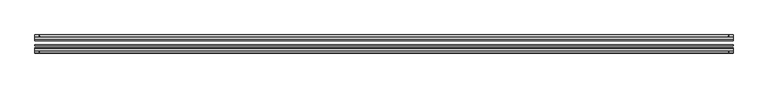
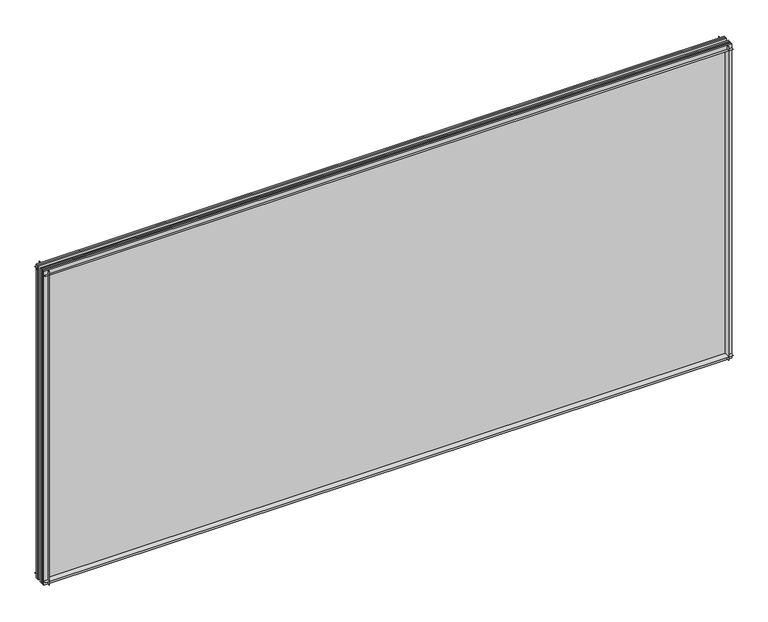
"""IFC4 building model written with IfcOpenShell, lengths in millimetres: plate geometry."""

import ifcopenshell
import ifcopenshell.guid

model = None  # the IFC model being written
_history = None  # IfcOwnerHistory: only IFC2X3 demands one
_inside = {}  # id of a spatial element -> (the spatial element, [elements in it])
_under = {}  # id of a project, library or spatial element -> (it, [spatial elements below it])
_declared = {}  # id of a project -> (the project, [libraries it declares])
_typed = {}  # id of a type object -> (the type object, [elements of that type])
_made_of = {}  # id of a material, layer set ... -> (it, [elements and type objects made of it])


def new_model(schema):
    """Start an empty IFC model of exactly this schema.

    Asked for "IFC4X3", IfcOpenShell would pick the latest addendum, in which some entities
    have other attributes; the version numbers below select the first issue.
    IFC2X3 requires an IfcOwnerHistory on every rooted entity: one is made here for all.
    """
    global model, _history
    if schema == "IFC4X3":
        model = ifcopenshell.file(schema_version=(4, 3, 0, 0))
    else:
        model = ifcopenshell.file(schema=schema)
    _inside.clear()
    _under.clear()
    _declared.clear()
    _typed.clear()
    _made_of.clear()
    _history = None
    if model.schema == "IFC2X3":
        org = make("IfcOrganization", Name="unknown")
        user = make(
            "IfcPersonAndOrganization",
            ThePerson=make("IfcPerson", FamilyName="unknown"),
            TheOrganization=org,
        )
        app = make(
            "IfcApplication",
            ApplicationDeveloper=org,
            Version="unknown",
            ApplicationFullName="unknown",
            ApplicationIdentifier="unknown",
        )
        _history = make(
            "IfcOwnerHistory",
            OwningUser=user,
            OwningApplication=app,
            ChangeAction="ADDED",
            CreationDate=0,
        )
    return model


def make(cls, **values):
    """One entity of the class cls with the attributes given. An attribute that is None is left unset."""
    return model.create_entity(
        cls, **{name: value for name, value in values.items() if value is not None}
    )


def rooted(cls, **values):
    """An entity with a GlobalId (a new one), such as an element, a storey or a relation."""
    return make(cls, GlobalId=ifcopenshell.guid.new(), OwnerHistory=_history, **values)


def si_unit(unit_type, name, prefix=None):
    """IfcSIUnit, for example si_unit("LENGTHUNIT", "METRE", prefix="MILLI")."""
    return make("IfcSIUnit", UnitType=unit_type, Prefix=prefix, Name=name)


def assignment(units):
    """IfcUnitAssignment: the units of a project."""
    return None if units is None else make("IfcUnitAssignment", Units=units)


def point(xyz):
    """IfcCartesianPoint."""
    return None if xyz is None else make("IfcCartesianPoint", Coordinates=xyz)


def direction(xyz):
    """IfcDirection."""
    return None if xyz is None else make("IfcDirection", DirectionRatios=xyz)


def frame(location, z_axis=None, x_axis=None):
    """IfcAxis2Placement3D, a coordinate frame: its origin and axes. An axis left out is left unset."""
    return make(
        "IfcAxis2Placement3D",
        Location=point(location),
        Axis=direction(z_axis),
        RefDirection=direction(x_axis),
    )


def frame_2d(location, x_axis=None):
    """IfcAxis2Placement2D, a coordinate frame in the plane: its origin and x axis."""
    return make(
        "IfcAxis2Placement2D", Location=point(location), RefDirection=direction(x_axis)
    )


def origin():
    """The frame at (0, 0, 0) with its axes left unset."""
    return frame((0.0, 0.0, 0.0))


def place(relative_to, where):
    """IfcLocalPlacement: puts the frame where relative to a parent placement (None: the world)."""
    return make(
        "IfcLocalPlacement", PlacementRelTo=relative_to, RelativePlacement=where
    )


def context(
    kind, dimensions, precision=None, world=None, true_north=None, identifier=None
):
    """IfcGeometricRepresentationContext, for example the 3D "Model" context."""
    return make(
        "IfcGeometricRepresentationContext",
        ContextIdentifier=identifier,
        ContextType=kind,
        CoordinateSpaceDimension=dimensions,
        Precision=precision,
        WorldCoordinateSystem=world,
        TrueNorth=true_north,
    )


def project(units=None, contexts=None):
    """IfcProject with its units and contexts."""
    return rooted(
        "IfcProject",
        Name="project",
        RepresentationContexts=contexts,
        UnitsInContext=assignment(units),
    )


def spatial(cls, under=None, at=None, **own):
    """A site, building, storey or space (cls), placed at a placement, below another one or the project."""
    s = rooted(cls, ObjectPlacement=at, **own)
    if under is not None:
        _under.setdefault(under.id(), (under, []))[1].append(s)
    return s


def polyline(points):
    """IfcPolyline through the points."""
    return make("IfcPolyline", Points=[point(p) for p in points])


def circle_curve(where, radius):
    """IfcCircle in the frame where."""
    return make("IfcCircle", Position=where, Radius=radius)


def trimmed(basis, trim1, trim2, sense, master):
    """IfcTrimmedCurve: the piece of a basis curve between two trims."""
    return make(
        "IfcTrimmedCurve",
        BasisCurve=basis,
        Trim1=trim1,
        Trim2=trim2,
        SenseAgreement=sense,
        MasterRepresentation=master,
    )


def segment(curve, same_sense, transition):
    """IfcCompositeCurveSegment."""
    return make(
        "IfcCompositeCurveSegment",
        Transition=transition,
        SameSense=same_sense,
        ParentCurve=curve,
    )


def composite_curve(segments, self_intersect=None):
    """IfcCompositeCurve: segments joined end to end."""
    return make("IfcCompositeCurve", Segments=segments, SelfIntersect=self_intersect)


def outline(outer, holes=None, kind="AREA"):
    """IfcArbitraryClosedProfileDef: a profile drawn as a closed curve; with holes, ...WithVoids."""
    if holes is None:
        return make("IfcArbitraryClosedProfileDef", ProfileType=kind, OuterCurve=outer)
    return make(
        "IfcArbitraryProfileDefWithVoids",
        ProfileType=kind,
        OuterCurve=outer,
        InnerCurves=holes,
    )


def extrude(swept, where, along, depth):
    """IfcExtrudedAreaSolid: the profile swept, set in the frame where, extruded along a direction by depth."""
    return make(
        "IfcExtrudedAreaSolid",
        SweptArea=swept,
        Position=where,
        ExtrudedDirection=direction(along),
        Depth=depth,
    )


def shape(context_of_items, identifier, shape_type, items):
    """IfcShapeRepresentation: the items that make up one representation, for example the "Body"."""
    return make(
        "IfcShapeRepresentation",
        ContextOfItems=context_of_items,
        RepresentationIdentifier=identifier,
        RepresentationType=shape_type,
        Items=items,
    )


def source(mapping_origin, context_of_items, identifier, shape_type, items):
    """IfcRepresentationMap: a shape defined once, which mapped items show again and again."""
    return make(
        "IfcRepresentationMap",
        MappingOrigin=mapping_origin,
        MappedRepresentation=shape(context_of_items, identifier, shape_type, items),
    )


def transform(
    local_origin,
    x_axis=None,
    y_axis=None,
    z_axis=None,
    scale=None,
    scale2=None,
    scale3=None,
    uniform=True,
):
    """IfcCartesianTransformationOperator3D, or its non-uniform kind. x_axis, y_axis, z_axis: its Axis1, 2, 3."""
    if uniform:
        return make(
            "IfcCartesianTransformationOperator3D",
            Axis1=direction(x_axis),
            Axis2=direction(y_axis),
            LocalOrigin=point(local_origin),
            Scale=scale,
            Axis3=direction(z_axis),
        )
    return make(
        "IfcCartesianTransformationOperator3DnonUniform",
        Axis1=direction(x_axis),
        Axis2=direction(y_axis),
        LocalOrigin=point(local_origin),
        Scale=scale,
        Axis3=direction(z_axis),
        Scale2=scale2,
        Scale3=scale3,
    )


def mapped(mapping_source, mapping_target):
    """IfcMappedItem: shows the shape of a source again, moved by a transform."""
    return make(
        "IfcMappedItem", MappingSource=mapping_source, MappingTarget=mapping_target
    )


def made_of(thing, what):
    """Note that an element or type object is made of a material, layer set ...; save() writes the relation."""
    if what is not None:
        _made_of.setdefault(what.id(), (what, []))[1].append(thing)
    return thing


def element(
    cls,
    number,
    at=None,
    inside=None,
    cuts=None,
    type_object=None,
    material=None,
    context=None,
    identifier="Body",
    shape_type=None,
    held_by="IfcProductDefinitionShape",
    body=None,
    shapes=None,
    **own,
):
    """One element of the class cls, such as IfcWall. Its Tag is "e" and its number.

    at: its placement. inside: the storey or other place that contains it. cuts: it is an
    opening in that element (IfcRelVoidsElement). A single representation is given by context,
    identifier, shape_type and body (its items); several are given by shapes. held_by: the class
    of the entity that holds the representations. save() writes the other relations.
    """
    e = rooted(cls, Tag="e%d" % number, ObjectPlacement=at, **own)
    if body is not None:
        shapes = [shape(context, identifier, shape_type, body)]
    if shapes is not None:
        e.Representation = make(held_by, Representations=shapes)
    if inside is not None:
        _inside.setdefault(inside.id(), (inside, []))[1].append(e)
    if cuts is not None:
        rooted(
            "IfcRelVoidsElement", RelatingBuildingElement=cuts, RelatedOpeningElement=e
        )
    if type_object is not None:
        _typed.setdefault(type_object.id(), (type_object, []))[1].append(e)
    return made_of(e, material)


def aggregate(whole, parts):
    """IfcRelAggregates: a whole, such as a stair, and the parts it consists of."""
    return rooted("IfcRelAggregates", RelatingObject=whole, RelatedObjects=parts)


def save(model, path):
    """Write the relations noted so far, then the file.

    IfcRelAggregates (storeys below a building ...), IfcRelContainedInSpatialStructure (elements
    in a storey), IfcRelDefinesByType, IfcRelAssociatesMaterial and IfcRelDeclares: one each for
    every whole, place, type object, material and project.
    """
    for whole, parts in _under.values():
        aggregate(whole, parts)
    for where, things in _inside.values():
        rooted(
            "IfcRelContainedInSpatialStructure",
            RelatedElements=things,
            RelatingStructure=where,
        )
    for kind, things in _typed.values():
        rooted("IfcRelDefinesByType", RelatedObjects=things, RelatingType=kind)
    for what, things in _made_of.values():
        rooted("IfcRelAssociatesMaterial", RelatedObjects=things, RelatingMaterial=what)
    for by, libraries in _declared.values():
        rooted("IfcRelDeclares", RelatingContext=by, RelatedDefinitions=libraries)
    model.write(path)


def plate_528ba6fc(model_context):
    return source(origin(), model_context, "Body", "SweptSolid", [
        extrude(outline(composite_curve([segment(polyline([(-74.653775, 0.0), (-80.586498, 0.0)]), True, "CONTINUOUS"), segment(trimmed(circle_curve(frame_2d((-86.2543953, 32.273404)), 32.7673262), [point((-80.586498, 0.0))], [point((-69.878575, 3.8915405))], True, "CARTESIAN"), True, "CONTINUOUS"), segment(polyline([(-69.878575, 3.8915405), (-69.878575, -10.31875), (-74.653775, -10.31875), (-74.653775, 0.0)]), True, "CONTINUOUS")], self_intersect=False)), frame((-906.4625, 0.0, 0.0), z_axis=(1.0, 0.0, 0.0), x_axis=(0.0, 1.0, 0.0)), (0.0, 0.0, 1.0), 1812.925),
        extrude(outline(composite_curve([segment(polyline([(-44.478575, -10.31875), (-44.478575, 3.8915405)]), True, "CONTINUOUS"), segment(trimmed(circle_curve(frame_2d((-28.1027547, 32.273404)), 32.7673262), [point((-44.478575, 3.8915405))], [point((-33.770652, 0.0))], True, "CARTESIAN"), True, "CONTINUOUS"), segment(polyline([(-33.770652, 0.0), (-39.703375, 0.0), (-39.703375, -10.31875), (-44.478575, -10.31875)]), True, "CONTINUOUS")], self_intersect=False)), frame((-906.4625, 0.0, 0.0), z_axis=(1.0, 0.0, 0.0), x_axis=(0.0, 1.0, 0.0)), (0.0, 0.0, 1.0), 1812.925),
        extrude(outline(composite_curve([segment(trimmed(circle_curve(frame_2d((-86.2543953, 821.795246)), 32.7673262), [point((-69.878575, 850.1771095))], [point((-80.622775, 854.075))], True, "CARTESIAN"), True, "CONTINUOUS"), segment(polyline([(-80.622775, 854.075), (-74.653775, 854.075), (-74.653775, 865.1875), (-69.878575, 865.1875), (-69.878575, 850.1771095)]), True, "CONTINUOUS")], self_intersect=False)), frame((-906.4625, 0.0, 0.0), z_axis=(1.0, 0.0, 0.0), x_axis=(0.0, 1.0, 0.0)), (0.0, 0.0, 1.0), 1812.925),
        extrude(outline(composite_curve([segment(polyline([(-44.478575, 850.1771095), (-44.478575, 865.1875), (-39.703375, 865.1875), (-39.703375, 854.075), (-33.734375, 854.075)]), True, "CONTINUOUS"), segment(trimmed(circle_curve(frame_2d((-28.1027547, 821.795246)), 32.7673262), [point((-33.734375, 854.075))], [point((-44.478575, 850.1771095))], True, "CARTESIAN"), True, "CONTINUOUS")], self_intersect=False)), frame((-906.4625, 0.0, 0.0), z_axis=(1.0, 0.0, 0.0), x_axis=(0.0, 1.0, 0.0)), (0.0, 0.0, 1.0), 1812.925),
        extrude(outline(composite_curve([segment(polyline([(891.4521095, -69.878575), (906.4625, -69.878575), (906.4625, -74.653775), (895.35, -74.653775), (895.35, -80.622775)]), True, "CONTINUOUS"), segment(trimmed(circle_curve(frame_2d((863.070246, -86.2543953)), 32.7673262), [point((895.35, -80.622775))], [point((891.4521095, -69.878575))], True, "CARTESIAN"), True, "CONTINUOUS")], self_intersect=False)), frame((0.0, 0.0, -10.31875), z_axis=(0.0, 0.0, 1.0), x_axis=(1.0, 0.0, 0.0)), (0.0, 0.0, 1.0), 875.50625),
        extrude(outline(composite_curve([segment(trimmed(circle_curve(frame_2d((863.070246, -28.1027547)), 32.7673262), [point((891.4521095, -44.478575))], [point((895.35, -33.734375))], True, "CARTESIAN"), True, "CONTINUOUS"), segment(polyline([(895.35, -33.734375), (895.35, -39.703375), (906.4625, -39.703375), (906.4625, -44.478575), (891.4521095, -44.478575)]), True, "CONTINUOUS")], self_intersect=False)), frame((0.0, 0.0, -10.31875), z_axis=(0.0, 0.0, 1.0), x_axis=(1.0, 0.0, 0.0)), (0.0, 0.0, 1.0), 875.50625),
        extrude(outline(composite_curve([segment(trimmed(circle_curve(frame_2d((-863.070246, -86.2543953)), 32.7673262), [point((-891.4521095, -69.878575))], [point((-895.35, -80.622775))], True, "CARTESIAN"), True, "CONTINUOUS"), segment(polyline([(-895.35, -80.622775), (-895.35, -74.653775), (-906.4625, -74.653775), (-906.4625, -69.878575), (-891.4521095, -69.878575)]), True, "CONTINUOUS")], self_intersect=False)), frame((0.0, 0.0, -10.31875), z_axis=(0.0, 0.0, 1.0), x_axis=(1.0, 0.0, 0.0)), (0.0, 0.0, 1.0), 875.50625),
        extrude(outline(composite_curve([segment(polyline([(-891.4521095, -44.478575), (-906.4625, -44.478575), (-906.4625, -39.703375), (-895.35, -39.703375), (-895.35, -33.734375)]), True, "CONTINUOUS"), segment(trimmed(circle_curve(frame_2d((-863.070246, -28.1027547)), 32.7673262), [point((-895.35, -33.734375))], [point((-891.4521095, -44.478575))], True, "CARTESIAN"), True, "CONTINUOUS")], self_intersect=False)), frame((0.0, 0.0, -10.31875), z_axis=(0.0, 0.0, 1.0), x_axis=(1.0, 0.0, 0.0)), (0.0, 0.0, 1.0), 875.50625),
        extrude(outline(polyline([(-906.4625, -44.478575), (906.4625, -44.478575), (906.4625, -49.241075), (-906.4625, -49.241075), (-906.4625, -44.478575)])), frame((0.0, 0.0, -10.31875), z_axis=(0.0, 0.0, 1.0), x_axis=(1.0, 0.0, 0.0)), (0.0, 0.0, 1.0), 875.50625),
        extrude(outline(polyline([(906.4625, -58.956575), (906.4625, -62.131575), (-906.4625, -62.131575), (-906.4625, -58.956575), (906.4625, -58.956575)])), frame((0.0, 0.0, -10.31875), z_axis=(0.0, 0.0, 1.0), x_axis=(1.0, 0.0, 0.0)), (0.0, 0.0, 1.0), 875.50625),
        extrude(outline(polyline([(-906.4625, -66.703575), (906.4625, -66.703575), (906.4625, -69.878575), (-906.4625, -69.878575), (-906.4625, -66.703575)])), frame((0.0, 0.0, -10.31875), z_axis=(0.0, 0.0, 1.0), x_axis=(1.0, 0.0, 0.0)), (0.0, 0.0, 1.0), 875.50625),
    ])


if __name__ == "__main__":
    model = new_model("IFC4")
    model_context = context("Model", 3, world=origin())
    ifc_project = project(units=[si_unit("LENGTHUNIT", "METRE", prefix="MILLI")], contexts=[model_context])
    site = spatial("IfcSite", under=ifc_project)
    building = spatial("IfcBuilding", under=site)
    placement = place(None, origin())
    plate_shape = plate_528ba6fc(model_context)
    element("IfcPlate", 1, at=placement, inside=building, context=model_context, shape_type="MappedRepresentation", body=[
        mapped(plate_shape, transform((0.0, 0.0, 0.0), x_axis=(1.0, 0.0, 0.0), y_axis=(0.0, 1.0, 0.0), z_axis=(0.0, 0.0, 1.0))),
    ])
    save(model, "model.ifc")
